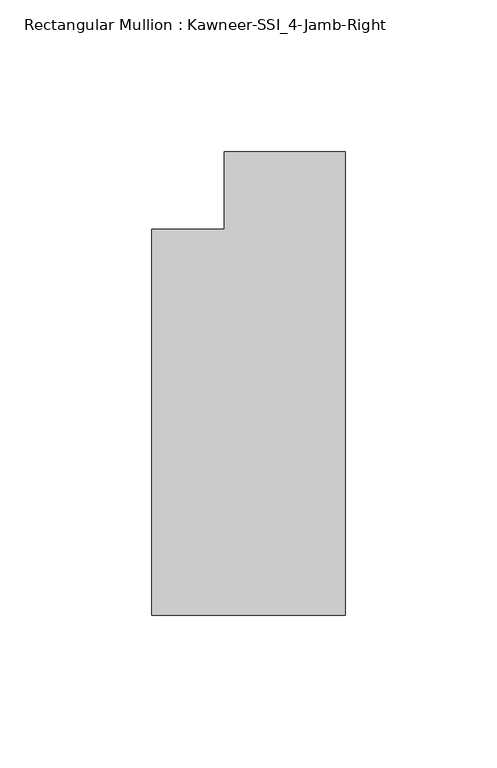
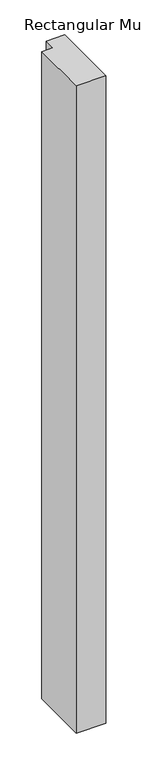
"""IFC4 building model written with IfcOpenShell, lengths in millimetres: member geometry, Rectangular Mullion : Kawneer-SSI_4-Jamb-Right."""

from ifc_helpers import new_model, si_unit, frame, origin, place, context, project, spatial, polyline, outline, extrude, source, transform, mapped, element, save


def rectangular_mullion_kawneer_ssi_4_jamb_right_f3f4a032(model_context):
    return source(origin(), model_context, "Body", "SweptSolid", [
        extrude(outline(polyline([(-63.5, -139.7), (-63.5, -12.7), (-39.6875, -12.7), (-39.6875, 12.7), (0.0, 12.7), (0.0, -139.7), (-63.5, -139.7)])), frame((0.0, 0.0, -1460.5), z_axis=(0.0, 0.0, 1.0), x_axis=(1.0, 0.0, 0.0)), (0.0, 0.0, 1.0), 1460.5),
    ])


if __name__ == "__main__":
    model = new_model("IFC4")
    model_context = context("Model", 3, world=origin())
    ifc_project = project(units=[si_unit("LENGTHUNIT", "METRE", prefix="MILLI")], contexts=[model_context])
    site = spatial("IfcSite", under=ifc_project)
    building = spatial("IfcBuilding", under=site)
    placement = place(None, origin())
    rectangular_mullion_kawneer_ssi_4_jamb_right_shape = rectangular_mullion_kawneer_ssi_4_jamb_right_f3f4a032(model_context)
    element("IfcMember", 1, ObjectType="Rectangular Mullion : Kawneer-SSI_4-Jamb-Right", at=placement, inside=building, context=model_context, shape_type="MappedRepresentation", body=[
        mapped(rectangular_mullion_kawneer_ssi_4_jamb_right_shape, transform((0.0, 0.0, 0.0), x_axis=(1.0, 0.0, 0.0), y_axis=(0.0, 1.0, 0.0), z_axis=(0.0, 0.0, 1.0))),
    ])
    save(model, "model.ifc")
